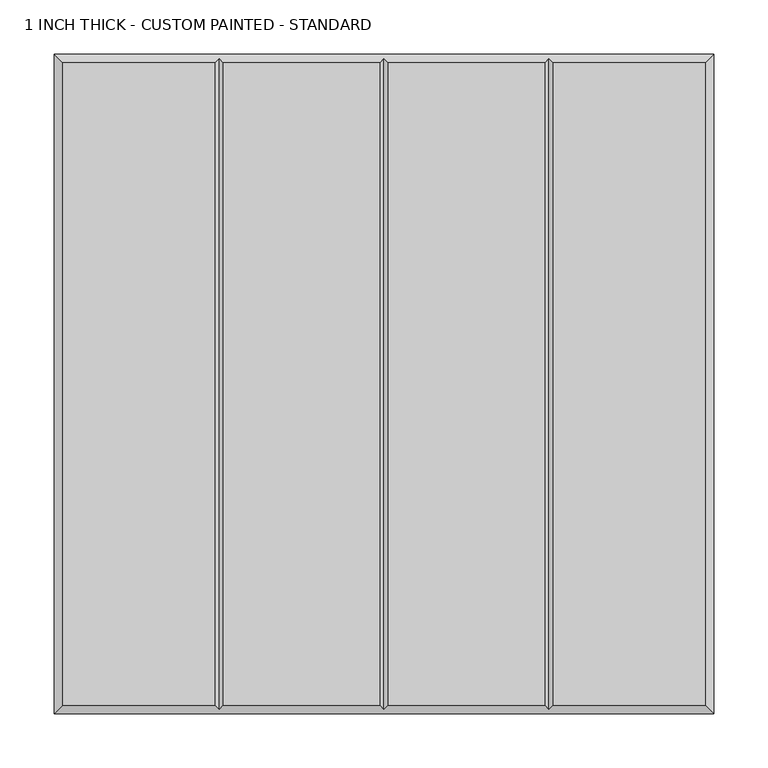
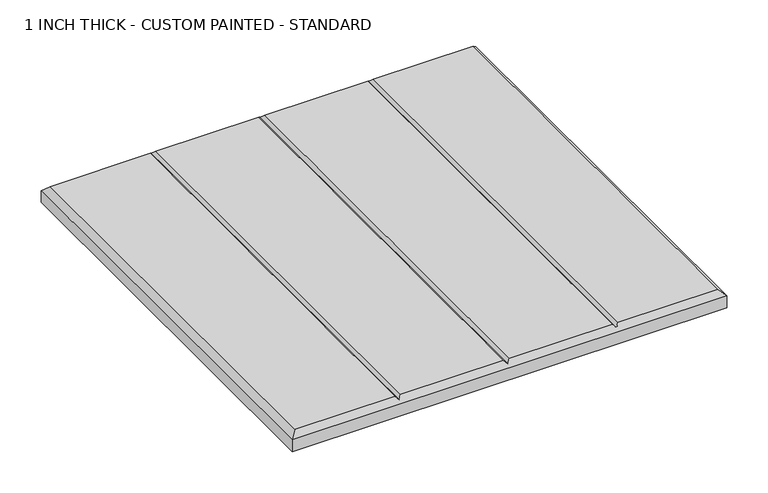
"""IFC4 building model written with IfcOpenShell, lengths in millimetres: proxy geometry, 1 INCH THICK - CUSTOM PAINTED - STANDARD."""

from ifc_helpers import new_model, si_unit, origin, place, context, project, spatial, faceted_brep, source, transform, mapped, element, save


def proxy_1_inch_thick_custom_painted_standard_ed33c888(model_context):
    return source(origin(), model_context, "Body", "Brep", [
        faceted_brep([(-296.799, 296.799, 25.4), (-296.799, -296.799, 25.4), (-156.4009826, -296.799, 25.4), (-156.4009826, 296.799, 25.4), (296.799, -296.799, 25.4), (296.799, 296.799, 25.4), (156.4010334, 296.799, 25.4), (156.4010334, -296.799, 25.4), (-148.3999826, 296.799, 25.4), (-148.3999826, -296.799, 25.4), (-4.0004746, -296.799, 25.4), (-4.0004746, 296.799, 25.4), (4.0005254, 296.799, 25.4), (4.0005254, -296.799, 25.4), (148.4000334, -296.799, 25.4), (148.4000334, 296.799, 25.4), (-304.8, 304.8, 0.0), (304.8, 304.8, 0.0), (304.8, -304.8, 0.0), (-304.8, -304.8, 0.0), (-304.8, -304.8, 17.399), (-304.8, 304.8, 17.399), (304.8, -304.8, 17.399), (304.8, 304.8, 17.399), (-152.4004826, 300.7995, 21.3995), (2.54e-05, 300.7995, 21.3995), (152.4005334, 300.7995, 21.3995), (152.4005334, -300.7995, 21.3995), (2.54e-05, -300.7995, 21.3995), (-152.4004826, -300.7995, 21.3995)], [[[0, 1, 2, 3]], [[4, 5, 6, 7]], [[8, 9, 10, 11]], [[12, 13, 14, 15]], [[16, 17, 18, 19]], [[16, 19, 20, 21]], [[19, 18, 22, 20]], [[18, 17, 23, 22]], [[17, 16, 21, 23]], [[21, 0, 3, 24, 8, 11, 25, 12, 15, 26, 6, 5, 23]], [[0, 21, 20, 1]], [[1, 20, 22, 4, 7, 27, 14, 13, 28, 10, 9, 29, 2]], [[23, 5, 4, 22]], [[24, 29, 9, 8]], [[29, 24, 3, 2]], [[25, 28, 13, 12]], [[28, 25, 11, 10]], [[26, 27, 7, 6]], [[27, 26, 15, 14]]]),
    ])


if __name__ == "__main__":
    model = new_model("IFC4")
    model_context = context("Model", 3, world=origin())
    ifc_project = project(units=[si_unit("LENGTHUNIT", "METRE", prefix="MILLI")], contexts=[model_context])
    site = spatial("IfcSite", under=ifc_project)
    building = spatial("IfcBuilding", under=site)
    placement = place(None, origin())
    proxy_1_inch_thick_custom_painted_standard_shape = proxy_1_inch_thick_custom_painted_standard_ed33c888(model_context)
    element("IfcBuildingElementProxy", 1, Name="1 INCH THICK - CUSTOM PAINTED - STANDARD", ObjectType="1 INCH THICK - CUSTOM PAINTED - STANDARD", at=placement, inside=building, context=model_context, shape_type="MappedRepresentation", body=[
        mapped(proxy_1_inch_thick_custom_painted_standard_shape, transform((0.0, 0.0, 0.0), x_axis=(1.0, 0.0, 0.0), y_axis=(0.0, 1.0, 0.0), z_axis=(0.0, 0.0, 1.0))),
    ])
    save(model, "model.ifc")
